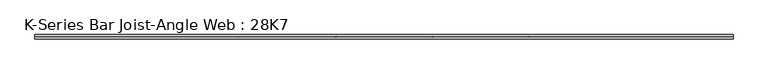
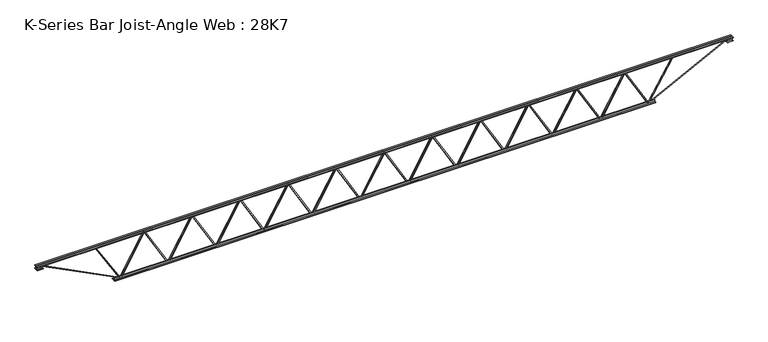
"""IFC4 building model written with IfcOpenShell, lengths in millimetres: beam geometry, K-Series Bar Joist-Angle Web : 28K7."""

from ifc_helpers import new_model, si_unit, frame, origin, place, context, project, spatial, polyline, outline, extrude, faceted_brep, source, transform, mapped, element, save


def k_series_bar_joist_angle_web_28k7_45669d27(model_context):
    return source(origin(), model_context, "Body", "SolidModel", [
        extrude(outline(polyline([(-4.7625, 4.7625), (-4.7625, 0.0), (-17.4625, 0.0), (-17.4625, 4.7625), (-4.7625, 4.7625)])), frame((3650.243407, 0.0, -317.5), z_axis=(-0.500468811628911, 0.0, 0.8657545660213094), x_axis=(0.0, -1.0, 0.0)), (0.0, 0.0, 1.0), 733.4642229),
        extrude(outline(polyline([(-352.425, 3682.2784091), (-333.375, 3682.2784091), (-333.375, 3681.4242329), (352.425, 3284.9821875), (352.425, 3266.7863636), (333.375, 3266.7863636), (333.375, 3273.9905398), (-352.425, 3670.4325853), (-352.425, 3682.2784091)])), frame((0.0, 0.0, 0.0), z_axis=(0.0, 1.0, 0.0), x_axis=(0.0, 0.0, 1.0)), (0.0, 0.0, 1.0), 4.7625),
        faceted_brep([(2863.9943182, 0.0, -333.375), (2863.9943182, 0.0, -352.425), (2863.9943182, -4.7625, -352.425), (2863.9943182, -4.7625, -333.375), (2864.8484944, 0.0, -333.375), (3261.2905398, 0.0, 352.425), (3279.4863636, 0.0, 352.425), (3279.4863636, 0.0, 333.375), (3272.2821875, 0.0, 333.375), (2875.840142, 0.0, -352.425), (2875.840142, -4.7625, -352.425), (2896.0293202, -4.7625, -317.5), (2891.9061641, -4.7625, -315.1165173), (3258.9821321, -4.7625, 319.8834827), (3263.1052883, -4.7625, 317.5), (3272.2821875, -4.7625, 333.375), (3279.4863636, -4.7625, 333.375), (3279.4863636, -4.7625, 352.425), (3261.2905398, -4.7625, 352.425), (2864.8484944, -4.7625, -333.375), (3263.1052883, -17.4625, 317.5), (2896.0293202, -17.4625, -317.5), (2891.9061641, -17.4625, -315.1165173), (3258.9821321, -17.4625, 319.8834827)], [[[0, 1, 2, 3]], [[1, 0, 4, 5, 6, 7, 8, 9]], [[2, 1, 9, 10]], [[3, 2, 10, 11, 12, 13, 14, 15, 16, 17, 18, 19]], [[0, 3, 19, 4]], [[9, 8, 15, 14, 20, 21, 11, 10]], [[5, 4, 19, 18]], [[7, 6, 17, 16]], [[8, 7, 16, 15]], [[6, 5, 18, 17]], [[21, 22, 12, 11]], [[20, 14, 13, 23]], [[22, 21, 20, 23]], [[12, 22, 23, 13]]]),
        extrude(outline(polyline([(-4.7625, 4.7625), (-4.7625, 0.0), (-17.4625, 0.0), (-17.4625, 4.7625), (-4.7625, 4.7625)])), frame((2831.9593161, 0.0, -317.5), z_axis=(-0.500468811628911, 0.0, 0.8657545660213094), x_axis=(0.0, -1.0, 0.0)), (0.0, 0.0, 1.0), 733.4642229),
        extrude(outline(polyline([(-352.425, 2863.9943182), (-333.375, 2863.9943182), (-333.375, 2863.140142), (352.425, 2466.6980966), (352.425, 2448.5022727), (333.375, 2448.5022727), (333.375, 2455.7064489), (-352.425, 2852.1484944), (-352.425, 2863.9943182)])), frame((0.0, 0.0, 0.0), z_axis=(0.0, 1.0, 0.0), x_axis=(0.0, 0.0, 1.0)), (0.0, 0.0, 1.0), 4.7625),
        faceted_brep([(2045.7102273, 0.0, -333.375), (2045.7102273, 0.0, -352.425), (2045.7102273, -4.7625, -352.425), (2045.7102273, -4.7625, -333.375), (2046.5644034, 0.0, -333.375), (2443.0064489, 0.0, 352.425), (2461.2022727, 0.0, 352.425), (2461.2022727, 0.0, 333.375), (2453.9980966, 0.0, 333.375), (2057.5560511, 0.0, -352.425), (2057.5560511, -4.7625, -352.425), (2077.7452293, -4.7625, -317.5), (2073.6220732, -4.7625, -315.1165173), (2440.6980412, -4.7625, 319.8834827), (2444.8211974, -4.7625, 317.5), (2453.9980966, -4.7625, 333.375), (2461.2022727, -4.7625, 333.375), (2461.2022727, -4.7625, 352.425), (2443.0064489, -4.7625, 352.425), (2046.5644034, -4.7625, -333.375), (2444.8211974, -17.4625, 317.5), (2077.7452293, -17.4625, -317.5), (2073.6220732, -17.4625, -315.1165173), (2440.6980412, -17.4625, 319.8834827)], [[[0, 1, 2, 3]], [[1, 0, 4, 5, 6, 7, 8, 9]], [[2, 1, 9, 10]], [[3, 2, 10, 11, 12, 13, 14, 15, 16, 17, 18, 19]], [[0, 3, 19, 4]], [[9, 8, 15, 14, 20, 21, 11, 10]], [[5, 4, 19, 18]], [[7, 6, 17, 16]], [[8, 7, 16, 15]], [[6, 5, 18, 17]], [[21, 22, 12, 11]], [[20, 14, 13, 23]], [[22, 21, 20, 23]], [[12, 22, 23, 13]]]),
        extrude(outline(polyline([(-4.7625, 4.7625), (-4.7625, 0.0), (-17.4625, 0.0), (-17.4625, 4.7625), (-4.7625, 4.7625)])), frame((2013.6752252, 0.0, -317.5), z_axis=(-0.500468811628911, 0.0, 0.8657545660213094), x_axis=(0.0, -1.0, 0.0)), (0.0, 0.0, 1.0), 733.4642229),
        extrude(outline(polyline([(-352.425, 2045.7102273), (-333.375, 2045.7102273), (-333.375, 2044.8560511), (352.425, 1648.4140056), (352.425, 1630.2181818), (333.375, 1630.2181818), (333.375, 1637.422358), (-352.425, 2033.8644034), (-352.425, 2045.7102273)])), frame((0.0, 0.0, 0.0), z_axis=(0.0, 1.0, 0.0), x_axis=(0.0, 0.0, 1.0)), (0.0, 0.0, 1.0), 4.7625),
        faceted_brep([(1227.4261364, 0.0, -333.375), (1227.4261364, 0.0, -352.425), (1227.4261364, -4.7625, -352.425), (1227.4261364, -4.7625, -333.375), (1228.2803125, 0.0, -333.375), (1624.722358, 0.0, 352.425), (1642.9181818, 0.0, 352.425), (1642.9181818, 0.0, 333.375), (1635.7140056, 0.0, 333.375), (1239.2719602, 0.0, -352.425), (1239.2719602, -4.7625, -352.425), (1259.4611384, -4.7625, -317.5), (1255.3379823, -4.7625, -315.1165173), (1622.4139503, -4.7625, 319.8834827), (1626.5371064, -4.7625, 317.5), (1635.7140056, -4.7625, 333.375), (1642.9181818, -4.7625, 333.375), (1642.9181818, -4.7625, 352.425), (1624.722358, -4.7625, 352.425), (1228.2803125, -4.7625, -333.375), (1626.5371064, -17.4625, 317.5), (1259.4611384, -17.4625, -317.5), (1255.3379823, -17.4625, -315.1165173), (1622.4139503, -17.4625, 319.8834827)], [[[0, 1, 2, 3]], [[1, 0, 4, 5, 6, 7, 8, 9]], [[2, 1, 9, 10]], [[3, 2, 10, 11, 12, 13, 14, 15, 16, 17, 18, 19]], [[0, 3, 19, 4]], [[9, 8, 15, 14, 20, 21, 11, 10]], [[5, 4, 19, 18]], [[7, 6, 17, 16]], [[8, 7, 16, 15]], [[6, 5, 18, 17]], [[21, 22, 12, 11]], [[20, 14, 13, 23]], [[22, 21, 20, 23]], [[12, 22, 23, 13]]]),
        extrude(outline(polyline([(-4.7625, 4.7625), (-4.7625, 0.0), (-17.4625, 0.0), (-17.4625, 4.7625), (-4.7625, 4.7625)])), frame((1195.3911343, 0.0, -317.5), z_axis=(-0.500468811628911, 0.0, 0.8657545660213094), x_axis=(0.0, -1.0, 0.0)), (0.0, 0.0, 1.0), 733.4642229),
        extrude(outline(polyline([(-352.425, 1227.4261364), (-333.375, 1227.4261364), (-333.375, 1226.5719602), (352.425, 830.1299147), (352.425, 811.9340909), (333.375, 811.9340909), (333.375, 819.1382671), (-352.425, 1215.5803125), (-352.425, 1227.4261364)])), frame((0.0, 0.0, 0.0), z_axis=(0.0, 1.0, 0.0), x_axis=(0.0, 0.0, 1.0)), (0.0, 0.0, 1.0), 4.7625),
        faceted_brep([(409.1420455, 0.0, -333.375), (409.1420455, 0.0, -352.425), (409.1420455, -4.7625, -352.425), (409.1420455, -4.7625, -333.375), (409.9962216, 0.0, -333.375), (806.4382671, 0.0, 352.425), (824.6340909, 0.0, 352.425), (824.6340909, 0.0, 333.375), (817.4299147, 0.0, 333.375), (420.9878693, 0.0, -352.425), (420.9878693, -4.7625, -352.425), (441.1770475, -4.7625, -317.5), (437.0538914, -4.7625, -315.1165173), (804.1298594, -4.7625, 319.8834827), (808.2530155, -4.7625, 317.5), (817.4299147, -4.7625, 333.375), (824.6340909, -4.7625, 333.375), (824.6340909, -4.7625, 352.425), (806.4382671, -4.7625, 352.425), (409.9962216, -4.7625, -333.375), (808.2530155, -17.4625, 317.5), (441.1770475, -17.4625, -317.5), (437.0538914, -17.4625, -315.1165173), (804.1298594, -17.4625, 319.8834827)], [[[0, 1, 2, 3]], [[1, 0, 4, 5, 6, 7, 8, 9]], [[2, 1, 9, 10]], [[3, 2, 10, 11, 12, 13, 14, 15, 16, 17, 18, 19]], [[0, 3, 19, 4]], [[9, 8, 15, 14, 20, 21, 11, 10]], [[5, 4, 19, 18]], [[7, 6, 17, 16]], [[8, 7, 16, 15]], [[6, 5, 18, 17]], [[21, 22, 12, 11]], [[20, 14, 13, 23]], [[22, 21, 20, 23]], [[12, 22, 23, 13]]]),
        extrude(outline(polyline([(-4.7625, 4.7625), (-4.7625, 0.0), (-17.4625, 0.0), (-17.4625, 4.7625), (-4.7625, 4.7625)])), frame((377.1070434, 0.0, -317.5), z_axis=(-0.500468811628911, 0.0, 0.8657545660213094), x_axis=(0.0, -1.0, 0.0)), (0.0, 0.0, 1.0), 733.4642229),
        extrude(outline(polyline([(-352.425, 409.1420455), (-333.375, 409.1420455), (-333.375, 408.2878693), (352.425, 11.8458238), (352.425, -6.35), (333.375, -6.35), (333.375, 0.8541762), (-352.425, 397.2962216), (-352.425, 409.1420455)])), frame((0.0, 0.0, 0.0), z_axis=(0.0, 1.0, 0.0), x_axis=(0.0, 0.0, 1.0)), (0.0, 0.0, 1.0), 4.7625),
        faceted_brep([(-409.1420455, 0.0, -333.375), (-409.1420455, 0.0, -352.425), (-409.1420455, -4.7625, -352.425), (-409.1420455, -4.7625, -333.375), (-408.2878693, 0.0, -333.375), (-11.8458238, 0.0, 352.425), (6.35, 0.0, 352.425), (6.35, 0.0, 333.375), (-0.8541762, 0.0, 333.375), (-397.2962216, 0.0, -352.425), (-397.2962216, -4.7625, -352.425), (-377.1070434, -4.7625, -317.5), (-381.2301995, -4.7625, -315.1165173), (-14.1542315, -4.7625, 319.8834827), (-10.0310754, -4.7625, 317.5), (-0.8541762, -4.7625, 333.375), (6.35, -4.7625, 333.375), (6.35, -4.7625, 352.425), (-11.8458238, -4.7625, 352.425), (-408.2878693, -4.7625, -333.375), (-10.0310754, -17.4625, 317.5), (-377.1070434, -17.4625, -317.5), (-381.2301995, -17.4625, -315.1165173), (-14.1542315, -17.4625, 319.8834827)], [[[0, 1, 2, 3]], [[1, 0, 4, 5, 6, 7, 8, 9]], [[2, 1, 9, 10]], [[3, 2, 10, 11, 12, 13, 14, 15, 16, 17, 18, 19]], [[0, 3, 19, 4]], [[9, 8, 15, 14, 20, 21, 11, 10]], [[5, 4, 19, 18]], [[7, 6, 17, 16]], [[8, 7, 16, 15]], [[6, 5, 18, 17]], [[21, 22, 12, 11]], [[20, 14, 13, 23]], [[22, 21, 20, 23]], [[12, 22, 23, 13]]]),
        extrude(outline(polyline([(-4.7625, 4.7625), (-4.7625, 0.0), (-17.4625, 0.0), (-17.4625, 4.7625), (-4.7625, 4.7625)])), frame((-441.1770475, 0.0, -317.5), z_axis=(-0.500468811628911, 0.0, 0.8657545660213094), x_axis=(0.0, -1.0, 0.0)), (0.0, 0.0, 1.0), 733.4642229),
        extrude(outline(polyline([(-352.425, -409.1420455), (-333.375, -409.1420455), (-333.375, -409.9962216), (352.425, -806.4382671), (352.425, -824.6340909), (333.375, -824.6340909), (333.375, -817.4299147), (-352.425, -420.9878693), (-352.425, -409.1420455)])), frame((0.0, 0.0, 0.0), z_axis=(0.0, 1.0, 0.0), x_axis=(0.0, 0.0, 1.0)), (0.0, 0.0, 1.0), 4.7625),
        faceted_brep([(-1227.4261364, 0.0, -333.375), (-1227.4261364, 0.0, -352.425), (-1227.4261364, -4.7625, -352.425), (-1227.4261364, -4.7625, -333.375), (-1226.5719602, 0.0, -333.375), (-830.1299147, 0.0, 352.425), (-811.9340909, 0.0, 352.425), (-811.9340909, 0.0, 333.375), (-819.1382671, 0.0, 333.375), (-1215.5803125, 0.0, -352.425), (-1215.5803125, -4.7625, -352.425), (-1195.3911343, -4.7625, -317.5), (-1199.5142904, -4.7625, -315.1165173), (-832.4383224, -4.7625, 319.8834827), (-828.3151663, -4.7625, 317.5), (-819.1382671, -4.7625, 333.375), (-811.9340909, -4.7625, 333.375), (-811.9340909, -4.7625, 352.425), (-830.1299147, -4.7625, 352.425), (-1226.5719602, -4.7625, -333.375), (-828.3151663, -17.4625, 317.5), (-1195.3911343, -17.4625, -317.5), (-1199.5142904, -17.4625, -315.1165173), (-832.4383224, -17.4625, 319.8834827)], [[[0, 1, 2, 3]], [[1, 0, 4, 5, 6, 7, 8, 9]], [[2, 1, 9, 10]], [[3, 2, 10, 11, 12, 13, 14, 15, 16, 17, 18, 19]], [[0, 3, 19, 4]], [[9, 8, 15, 14, 20, 21, 11, 10]], [[5, 4, 19, 18]], [[7, 6, 17, 16]], [[8, 7, 16, 15]], [[6, 5, 18, 17]], [[21, 22, 12, 11]], [[20, 14, 13, 23]], [[22, 21, 20, 23]], [[12, 22, 23, 13]]]),
        extrude(outline(polyline([(-4.7625, 4.7625), (-4.7625, 0.0), (-17.4625, 0.0), (-17.4625, 4.7625), (-4.7625, 4.7625)])), frame((-1259.4611384, 0.0, -317.5), z_axis=(-0.500468811628911, 0.0, 0.8657545660213094), x_axis=(0.0, -1.0, 0.0)), (0.0, 0.0, 1.0), 733.4642229),
        extrude(outline(polyline([(-352.425, -1227.4261364), (-333.375, -1227.4261364), (-333.375, -1228.2803125), (352.425, -1624.722358), (352.425, -1642.9181818), (333.375, -1642.9181818), (333.375, -1635.7140056), (-352.425, -1239.2719602), (-352.425, -1227.4261364)])), frame((0.0, 0.0, 0.0), z_axis=(0.0, 1.0, 0.0), x_axis=(0.0, 0.0, 1.0)), (0.0, 0.0, 1.0), 4.7625),
        faceted_brep([(-2045.7102273, 0.0, -333.375), (-2045.7102273, 0.0, -352.425), (-2045.7102273, -4.7625, -352.425), (-2045.7102273, -4.7625, -333.375), (-2044.8560511, 0.0, -333.375), (-1648.4140056, 0.0, 352.425), (-1630.2181818, 0.0, 352.425), (-1630.2181818, 0.0, 333.375), (-1637.422358, 0.0, 333.375), (-2033.8644034, 0.0, -352.425), (-2033.8644034, -4.7625, -352.425), (-2013.6752252, -4.7625, -317.5), (-2017.7983813, -4.7625, -315.1165173), (-1650.7224133, -4.7625, 319.8834827), (-1646.5992572, -4.7625, 317.5), (-1637.422358, -4.7625, 333.375), (-1630.2181818, -4.7625, 333.375), (-1630.2181818, -4.7625, 352.425), (-1648.4140056, -4.7625, 352.425), (-2044.8560511, -4.7625, -333.375), (-1646.5992572, -17.4625, 317.5), (-2013.6752252, -17.4625, -317.5), (-2017.7983813, -17.4625, -315.1165173), (-1650.7224133, -17.4625, 319.8834827)], [[[0, 1, 2, 3]], [[1, 0, 4, 5, 6, 7, 8, 9]], [[2, 1, 9, 10]], [[3, 2, 10, 11, 12, 13, 14, 15, 16, 17, 18, 19]], [[0, 3, 19, 4]], [[9, 8, 15, 14, 20, 21, 11, 10]], [[5, 4, 19, 18]], [[7, 6, 17, 16]], [[8, 7, 16, 15]], [[6, 5, 18, 17]], [[21, 22, 12, 11]], [[20, 14, 13, 23]], [[22, 21, 20, 23]], [[12, 22, 23, 13]]]),
        extrude(outline(polyline([(-4.7625, 4.7625), (-4.7625, 0.0), (-17.4625, 0.0), (-17.4625, 4.7625), (-4.7625, 4.7625)])), frame((-2077.7452293, 0.0, -317.5), z_axis=(-0.500468811628911, 0.0, 0.8657545660213094), x_axis=(0.0, -1.0, 0.0)), (0.0, 0.0, 1.0), 733.4642229),
        extrude(outline(polyline([(-352.425, -2045.7102273), (-333.375, -2045.7102273), (-333.375, -2046.5644034), (352.425, -2443.0064489), (352.425, -2461.2022727), (333.375, -2461.2022727), (333.375, -2453.9980966), (-352.425, -2057.5560511), (-352.425, -2045.7102273)])), frame((0.0, 0.0, 0.0), z_axis=(0.0, 1.0, 0.0), x_axis=(0.0, 0.0, 1.0)), (0.0, 0.0, 1.0), 4.7625),
        faceted_brep([(-2863.9943182, 0.0, -333.375), (-2863.9943182, 0.0, -352.425), (-2863.9943182, -4.7625, -352.425), (-2863.9943182, -4.7625, -333.375), (-2863.140142, 0.0, -333.375), (-2466.6980966, 0.0, 352.425), (-2448.5022727, 0.0, 352.425), (-2448.5022727, 0.0, 333.375), (-2455.7064489, 0.0, 333.375), (-2852.1484944, 0.0, -352.425), (-2852.1484944, -4.7625, -352.425), (-2831.9593161, -4.7625, -317.5), (-2836.0824722, -4.7625, -315.1165173), (-2469.0065042, -4.7625, 319.8834827), (-2464.8833481, -4.7625, 317.5), (-2455.7064489, -4.7625, 333.375), (-2448.5022727, -4.7625, 333.375), (-2448.5022727, -4.7625, 352.425), (-2466.6980966, -4.7625, 352.425), (-2863.140142, -4.7625, -333.375), (-2464.8833481, -17.4625, 317.5), (-2831.9593161, -17.4625, -317.5), (-2836.0824722, -17.4625, -315.1165173), (-2469.0065042, -17.4625, 319.8834827)], [[[0, 1, 2, 3]], [[1, 0, 4, 5, 6, 7, 8, 9]], [[2, 1, 9, 10]], [[3, 2, 10, 11, 12, 13, 14, 15, 16, 17, 18, 19]], [[0, 3, 19, 4]], [[9, 8, 15, 14, 20, 21, 11, 10]], [[5, 4, 19, 18]], [[7, 6, 17, 16]], [[8, 7, 16, 15]], [[6, 5, 18, 17]], [[21, 22, 12, 11]], [[20, 14, 13, 23]], [[22, 21, 20, 23]], [[12, 22, 23, 13]]]),
        extrude(outline(polyline([(-4.7625, 4.7625), (-4.7625, 0.0), (-17.4625, 0.0), (-17.4625, 4.7625), (-4.7625, 4.7625)])), frame((-2896.0293202, 0.0, -317.5), z_axis=(-0.500468811628911, 0.0, 0.8657545660213094), x_axis=(0.0, -1.0, 0.0)), (0.0, 0.0, 1.0), 733.4642229),
        extrude(outline(polyline([(-352.425, -2863.9943182), (-333.375, -2863.9943182), (-333.375, -2864.8484944), (352.425, -3261.2905398), (352.425, -3279.4863636), (333.375, -3279.4863636), (333.375, -3272.2821875), (-352.425, -2875.840142), (-352.425, -2863.9943182)])), frame((0.0, 0.0, 0.0), z_axis=(0.0, 1.0, 0.0), x_axis=(0.0, 0.0, 1.0)), (0.0, 0.0, 1.0), 4.7625),
        faceted_brep([(-3682.2784091, 0.0, -333.375), (-3682.2784091, 0.0, -352.425), (-3682.2784091, -4.7625, -352.425), (-3682.2784091, -4.7625, -333.375), (-3681.4242329, 0.0, -333.375), (-3284.9821875, 0.0, 352.425), (-3266.7863636, 0.0, 352.425), (-3266.7863636, 0.0, 333.375), (-3273.9905398, 0.0, 333.375), (-3670.4325853, 0.0, -352.425), (-3670.4325853, -4.7625, -352.425), (-3650.243407, -4.7625, -317.5), (-3654.3665631, -4.7625, -315.1165173), (-3287.2905951, -4.7625, 319.8834827), (-3283.167439, -4.7625, 317.5), (-3273.9905398, -4.7625, 333.375), (-3266.7863636, -4.7625, 333.375), (-3266.7863636, -4.7625, 352.425), (-3284.9821875, -4.7625, 352.425), (-3681.4242329, -4.7625, -333.375), (-3283.167439, -17.4625, 317.5), (-3650.243407, -17.4625, -317.5), (-3654.3665631, -17.4625, -315.1165173), (-3287.2905951, -17.4625, 319.8834827)], [[[0, 1, 2, 3]], [[1, 0, 4, 5, 6, 7, 8, 9]], [[2, 1, 9, 10]], [[3, 2, 10, 11, 12, 13, 14, 15, 16, 17, 18, 19]], [[0, 3, 19, 4]], [[9, 8, 15, 14, 20, 21, 11, 10]], [[5, 4, 19, 18]], [[7, 6, 17, 16]], [[8, 7, 16, 15]], [[6, 5, 18, 17]], [[21, 22, 12, 11]], [[20, 14, 13, 23]], [[22, 21, 20, 23]], [[12, 22, 23, 13]]]),
        extrude(outline(polyline([(-4.7625, 4.7625001), (-4.7625, 0.0), (-17.4625, 0.0), (-17.4625, 4.7625001), (-4.7625, 4.7625001)])), frame((4468.5274979, 0.0, -317.5), z_axis=(-0.500468811628911, 0.0, 0.8657545660213094), x_axis=(0.0, -1.0, 0.0)), (0.0, 0.0, 1.0), 733.4642229),
        extrude(outline(polyline([(-352.425, 4500.5625), (-333.375, 4500.5625), (-333.375, 4499.7083238), (352.425, 4103.2662784), (352.425, 4085.0704545), (333.375, 4085.0704545), (333.375, 4092.2746307), (-352.425, 4488.7166762), (-352.425, 4500.5625)])), frame((0.0, 0.0, 0.0), z_axis=(0.0, 1.0, 0.0), x_axis=(0.0, 0.0, 1.0)), (0.0, 0.0, 1.0), 4.7625),
        faceted_brep([(3682.2784091, 0.0, -333.375), (3682.2784091, 0.0, -352.425), (3682.2784091, -4.7625, -352.425), (3682.2784091, -4.7625, -333.375), (3683.1325853, 0.0, -333.375), (4079.5746307, 0.0, 352.425), (4097.7704545, 0.0, 352.425), (4097.7704545, 0.0, 333.375), (4090.5662784, 0.0, 333.375), (3694.1242329, 0.0, -352.425), (3694.1242329, -4.7625, -352.425), (3714.3134112, -4.7625, -317.5), (3710.190255, -4.7625, -315.1165173), (4077.266223, -4.7625, 319.8834827), (4081.3893792, -4.7625, 317.5), (4090.5662784, -4.7625, 333.375), (4097.7704545, -4.7625, 333.375), (4097.7704545, -4.7625, 352.425), (4079.5746307, -4.7625, 352.425), (3683.1325853, -4.7625, -333.375), (4081.3893792, -17.4625, 317.5), (3714.3134112, -17.4625, -317.5), (3710.190255, -17.4625, -315.1165173), (4077.266223, -17.4625, 319.8834827)], [[[0, 1, 2, 3]], [[1, 0, 4, 5, 6, 7, 8, 9]], [[2, 1, 9, 10]], [[3, 2, 10, 11, 12, 13, 14, 15, 16, 17, 18, 19]], [[0, 3, 19, 4]], [[9, 8, 15, 14, 20, 21, 11, 10]], [[5, 4, 19, 18]], [[7, 6, 17, 16]], [[8, 7, 16, 15]], [[6, 5, 18, 17]], [[21, 22, 12, 11]], [[20, 14, 13, 23]], [[22, 21, 20, 23]], [[12, 22, 23, 13]]]),
        extrude(outline(polyline([(-4.7625, 4.7625001), (-4.7625, 0.0), (-17.4625, 0.0), (-17.4625, 4.7625001), (-4.7625, 4.7625001)])), frame((-3714.3134112, 0.0, -317.5), z_axis=(-0.500468811628911, 0.0, 0.8657545660213094), x_axis=(0.0, -1.0, 0.0)), (0.0, 0.0, 1.0), 733.4642229),
        extrude(outline(polyline([(-352.425, -3682.2784091), (-333.375, -3682.2784091), (-333.375, -3683.1325853), (352.425, -4079.5746307), (352.425, -4097.7704545), (333.375, -4097.7704545), (333.375, -4090.5662784), (-352.425, -3694.1242329), (-352.425, -3682.2784091)])), frame((0.0, 0.0, 0.0), z_axis=(0.0, 1.0, 0.0), x_axis=(0.0, 0.0, 1.0)), (0.0, 0.0, 1.0), 4.7625),
        faceted_brep([(-4500.5625, 0.0, -333.375), (-4500.5625, 0.0, -352.425), (-4500.5625, -4.7625, -352.425), (-4500.5625, -4.7625, -333.375), (-4499.7083238, 0.0, -333.375), (-4103.2662784, 0.0, 352.425), (-4085.0704545, 0.0, 352.425), (-4085.0704545, 0.0, 333.375), (-4092.2746307, 0.0, 333.375), (-4488.7166762, 0.0, -352.425), (-4488.7166762, -4.7625, -352.425), (-4468.5274979, -4.7625, -317.5), (-4472.6506541, -4.7625, -315.1165173), (-4105.574686, -4.7625, 319.8834827), (-4101.4515299, -4.7625, 317.5), (-4092.2746307, -4.7625, 333.375), (-4085.0704545, -4.7625, 333.375), (-4085.0704545, -4.7625, 352.425), (-4103.2662784, -4.7625, 352.425), (-4499.7083238, -4.7625, -333.375), (-4101.4515299, -17.4625, 317.5), (-4468.5274979, -17.4625, -317.5), (-4472.6506541, -17.4625, -315.1165173), (-4105.574686, -17.4625, 319.8834827)], [[[0, 1, 2, 3]], [[1, 0, 4, 5, 6, 7, 8, 9]], [[2, 1, 9, 10]], [[3, 2, 10, 11, 12, 13, 14, 15, 16, 17, 18, 19]], [[0, 3, 19, 4]], [[9, 8, 15, 14, 20, 21, 11, 10]], [[5, 4, 19, 18]], [[7, 6, 17, 16]], [[8, 7, 16, 15]], [[6, 5, 18, 17]], [[21, 22, 12, 11]], [[20, 14, 13, 23]], [[22, 21, 20, 23]], [[12, 22, 23, 13]]]),
        extrude(outline(polyline([(4.7625, 355.6), (36.5125, 355.6), (36.5125, 349.25), (11.1125, 349.25), (11.1125, 323.85), (4.7625, 323.85), (4.7625, 355.6)])), frame((-5922.9625, 0.0, 0.0), z_axis=(1.0, 0.0, 0.0), x_axis=(0.0, 1.0, 0.0)), (0.0, 0.0, 1.0), 11845.925),
        extrude(outline(polyline([(-4.7625, 355.6), (-4.7625, 323.85), (-11.1125, 323.85), (-11.1125, 349.25), (-36.5125, 349.25), (-36.5125, 355.6), (-4.7625, 355.6)])), frame((-5922.9625, 0.0, 0.0), z_axis=(1.0, 0.0, 0.0), x_axis=(0.0, 1.0, 0.0)), (0.0, 0.0, 1.0), 11845.925),
        extrude(outline(polyline([(-4.7625, 292.1), (-36.5125, 292.1), (-36.5125, 298.45), (-11.1125, 298.45), (-11.1125, 323.85), (-4.7625, 323.85), (-4.7625, 292.1)])), frame((-5922.9625, 0.0, 0.0), z_axis=(1.0, 0.0, 0.0), x_axis=(0.0, 1.0, 0.0)), (0.0, 0.0, 1.0), 101.6),
        extrude(outline(polyline([(36.5125, 292.1), (4.7625, 292.1), (4.7625, 323.85), (11.1125, 323.85), (11.1125, 298.45), (36.5125, 298.45), (36.5125, 292.1)])), frame((-5922.9625, 0.0, 0.0), z_axis=(1.0, 0.0, 0.0), x_axis=(0.0, 1.0, 0.0)), (0.0, 0.0, 1.0), 101.6),
        extrude(outline(polyline([(4.7625, 292.1), (4.7625, 323.85), (11.1125, 323.85), (11.1125, 298.45), (36.5125, 298.45), (36.5125, 292.1), (4.7625, 292.1)])), frame((5821.3625, 0.0, 0.0), z_axis=(1.0, 0.0, 0.0), x_axis=(0.0, 1.0, 0.0)), (0.0, 0.0, 1.0), 101.6),
        extrude(outline(polyline([(-4.7625, 292.1), (-36.5125, 292.1), (-36.5125, 298.45), (-11.1125, 298.45), (-11.1125, 323.85), (-4.7625, 323.85), (-4.7625, 292.1)])), frame((5821.3625, 0.0, 0.0), z_axis=(1.0, 0.0, 0.0), x_axis=(0.0, 1.0, 0.0)), (0.0, 0.0, 1.0), 101.6),
        extrude(outline(polyline([(4.7625, -355.6), (4.7625, -323.85), (11.1125, -323.85), (11.1125, -349.25), (36.5125, -349.25), (36.5125, -355.6), (4.7625, -355.6)])), frame((-4602.1625, 0.0, 0.0), z_axis=(1.0, 0.0, 0.0), x_axis=(0.0, 1.0, 0.0)), (0.0, 0.0, 1.0), 9204.325),
        extrude(outline(polyline([(-4.7625, -355.6), (-36.5125, -355.6), (-36.5125, -349.25), (-11.1125, -349.25), (-11.1125, -323.85), (-4.7625, -323.85), (-4.7625, -355.6)])), frame((-4602.1625, 0.0, 0.0), z_axis=(1.0, 0.0, 0.0), x_axis=(0.0, 1.0, 0.0)), (0.0, 0.0, 1.0), 9204.325),
        extrude(outline(polyline([(4.7625, 4.7625), (4.7625, -4.7625), (-4.7625, -4.7625), (-4.7625, 4.7625), (4.7625, 4.7625)])), frame((4500.5625, 0.0, -349.25), z_axis=(0.5194179210075867, 0.0, 0.8545203469409939), x_axis=(0.0, -1.0, 0.0)), (0.0, 0.0, 1.0), 787.6933562),
        extrude(outline(polyline([(4.7625, 4.7625), (4.7625, -4.7625), (-4.7625, -4.7625), (-4.7625, 4.7625), (4.7625, 4.7625)])), frame((-4500.5625, 0.0, -349.25), z_axis=(-0.5194179210075681, 0.0, 0.8545203469410051), x_axis=(0.0, -1.0, 0.0)), (0.0, 0.0, 1.0), 787.6933562),
        extrude(outline(polyline([(0.0, -9.525), (0.0, 0.0), (1482.4224263, 0.0), (1482.4224263, -9.525), (0.0, -9.525)])), frame((5823.5249327, -4.7625, 319.6067358), z_axis=(-0.4540541130905682, 0.0, 0.8909741087066098), x_axis=(-0.8909741087066098, 0.0, -0.4540541130905682)), (0.0, 0.0, 1.0), 9.525),
        extrude(outline(polyline([(0.0, -9.525), (0.0, 0.0), (1482.4224263, 0.0), (1482.4224263, -9.525), (0.0, -9.525)])), frame((-5823.5249327, 4.7625, 319.6067358), z_axis=(0.4540541130905676, 0.0, 0.89097410870661), x_axis=(0.89097410870661, 0.0, -0.4540541130905676)), (0.0, 0.0, 1.0), 9.525),
    ])


if __name__ == "__main__":
    model = new_model("IFC4")
    model_context = context("Model", 3, world=origin())
    ifc_project = project(units=[si_unit("LENGTHUNIT", "METRE", prefix="MILLI")], contexts=[model_context])
    site = spatial("IfcSite", under=ifc_project)
    building = spatial("IfcBuilding", under=site)
    placement = place(None, origin())
    k_series_bar_joist_angle_web_28k7_shape = k_series_bar_joist_angle_web_28k7_45669d27(model_context)
    element("IfcBeam", 1, ObjectType="K-Series Bar Joist-Angle Web : 28K7", at=placement, inside=building, context=model_context, shape_type="MappedRepresentation", body=[
        mapped(k_series_bar_joist_angle_web_28k7_shape, transform((0.0, 0.0, 0.0), x_axis=(1.0, 0.0, 0.0), y_axis=(0.0, 1.0, 0.0), z_axis=(0.0, 0.0, 1.0))),
    ])
    save(model, "model.ifc")
